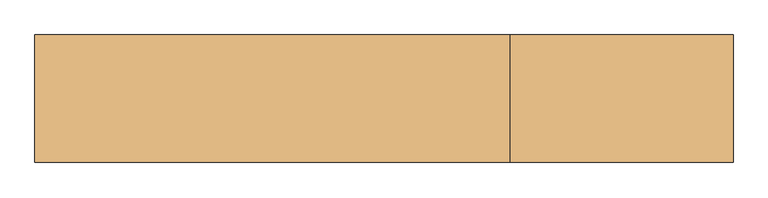
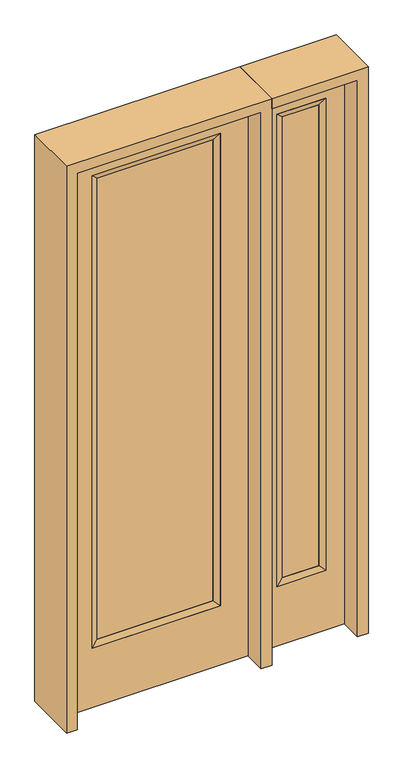
"""IFC4 building model written with IfcOpenShell, lengths in millimetres: door geometry."""

from ifc_helpers import new_model, si_unit, frame, origin, place, context, project, spatial, polyline, outline, extrude, faceted_brep, source, transform, mapped, element, save


def door_d7857f19(model_context):
    return source(origin(), model_context, "Body", "SolidModel", [
        extrude(outline(polyline([(240.1824, -12.7039749), (-240.1824, -12.7039749), (-240.1824, 14.2875), (240.1824, 14.2875), (240.1824, -12.7039749)])), frame((0.0, 0.0, 285.75), z_axis=(0.0, 0.0, 1.0), x_axis=(1.0, 0.0, 0.0)), (0.0, 0.0, 1.0), 2019.3),
        faceted_brep([(240.1824, 14.2875, 2305.05), (265.5824, 22.225, 2330.45), (265.5824, 22.225, 260.35), (240.1824, 14.2875, 285.75), (265.5824, -22.225, 2330.45), (265.5824, -22.225, 260.35), (-265.5824, 22.225, 260.35), (-240.1824, 14.2875, 285.75), (240.1824, -12.7039749, 2305.05), (240.1824, -12.7039749, 285.75), (-240.1824, -12.7039749, 285.75), (-265.5824, -22.225, 260.35), (-265.5824, 22.225, 2330.45), (-240.1824, 14.2875, 2305.05), (-240.1824, -12.7039749, 2305.05), (-265.5824, -22.225, 2330.45)], [[[0, 1, 2, 3]], [[1, 4, 5, 2]], [[3, 2, 6, 7]], [[8, 0, 3, 9]], [[9, 3, 7, 10]], [[4, 8, 9, 5]], [[5, 9, 10, 11]], [[2, 5, 11, 6]], [[7, 6, 12, 13]], [[10, 7, 13, 14]], [[11, 10, 14, 15]], [[6, 11, 15, 12]], [[13, 12, 1, 0]], [[14, 13, 0, 8]], [[15, 14, 8, 4]], [[12, 15, 4, 1]]]),
        extrude(outline(polyline([(0.0, -381.0), (0.0, 381.0), (2438.4, 381.0), (2438.4, -381.0), (0.0, -381.0)]), holes=[polyline([(260.35, -265.5824), (2330.45, -265.5824), (2330.45, 265.5824), (260.35, 265.5824), (260.35, -265.5824)])]), frame((0.0, -22.225, 0.0), z_axis=(0.0, 1.0, 0.0), x_axis=(0.0, 0.0, 1.0)), (0.0, 0.0, 1.0), 44.45),
        faceted_brep([(501.65, 20.6375, 2330.45), (501.65, 20.6375, 260.35), (501.65, -20.6375, 260.35), (501.65, -20.6375, 2330.45), (527.05, -12.7, 285.75), (527.05, -12.7, 2305.05), (704.85, 20.6375, 260.35), (704.85, -20.6375, 260.35), (527.05, 12.7, 2305.05), (527.05, 12.7, 285.75), (679.45, 12.7, 285.75), (679.45, -12.7, 285.75), (704.85, 20.6375, 2330.45), (704.85, -20.6375, 2330.45), (679.45, 12.7, 2305.05), (679.45, -12.7, 2305.05)], [[[0, 1, 2, 3]], [[3, 2, 4, 5]], [[1, 6, 7, 2]], [[8, 9, 1, 0]], [[9, 10, 6, 1]], [[5, 4, 9, 8]], [[4, 11, 10, 9]], [[2, 7, 11, 4]], [[6, 12, 13, 7]], [[10, 14, 12, 6]], [[11, 15, 14, 10]], [[7, 13, 15, 11]], [[12, 0, 3, 13]], [[14, 8, 0, 12]], [[15, 5, 8, 14]], [[13, 3, 5, 15]]]),
        extrude(outline(polyline([(0.0, 781.05), (2438.4, 781.05), (2438.4, 425.45), (0.0, 425.45), (0.0, 781.05)]), holes=[polyline([(2330.45, 501.65), (2330.45, 704.85), (260.35, 704.85), (260.35, 501.65), (2330.45, 501.65)])]), frame((0.0, -20.6375, 0.0), z_axis=(0.0, 1.0, 0.0), x_axis=(0.0, 0.0, 1.0)), (0.0, 0.0, 1.0), 41.275),
        extrude(outline(polyline([(527.05, -12.7), (527.05, 12.7), (679.45, 12.7), (679.45, -12.7), (527.05, -12.7)])), frame((0.0, 0.0, 284.95625), z_axis=(0.0, 0.0, 1.0), x_axis=(1.0, 0.0, 0.0)), (0.0, 0.0, 1.0), 2020.09375),
        extrude(outline(polyline([(2482.85, -425.45), (0.0, -425.45), (0.0, -381.0), (2438.4, -381.0), (2438.4, 381.0), (0.0, 381.0), (0.0, 425.45), (2482.85, 425.45), (2482.85, -425.45)])), frame((0.0, -114.3, 0.0), z_axis=(0.0, 1.0, 0.0), x_axis=(0.0, 0.0, 1.0)), (0.0, 0.0, 1.0), 228.6),
        extrude(outline(polyline([(0.0, 781.05), (0.0, 825.5), (2482.85, 825.5), (2482.85, 425.45), (2438.4, 425.45), (2438.4, 781.05), (0.0, 781.05)])), frame((0.0, -114.3, 0.0), z_axis=(0.0, 1.0, 0.0), x_axis=(0.0, 0.0, 1.0)), (0.0, 0.0, 1.0), 228.6),
    ])


if __name__ == "__main__":
    model = new_model("IFC4")
    model_context = context("Model", 3, world=origin())
    ifc_project = project(units=[si_unit("LENGTHUNIT", "METRE", prefix="MILLI")], contexts=[model_context])
    site = spatial("IfcSite", under=ifc_project)
    building = spatial("IfcBuilding", under=site)
    placement = place(None, origin())
    door_shape = door_d7857f19(model_context)
    element("IfcDoor", 1, at=placement, inside=building, context=model_context, shape_type="MappedRepresentation", body=[
        mapped(door_shape, transform((0.0, 0.0, 0.0), x_axis=(1.0, 0.0, 0.0), y_axis=(0.0, 1.0, 0.0), z_axis=(0.0, 0.0, 1.0))),
    ])
    save(model, "model.ifc")
